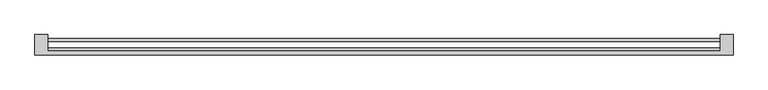
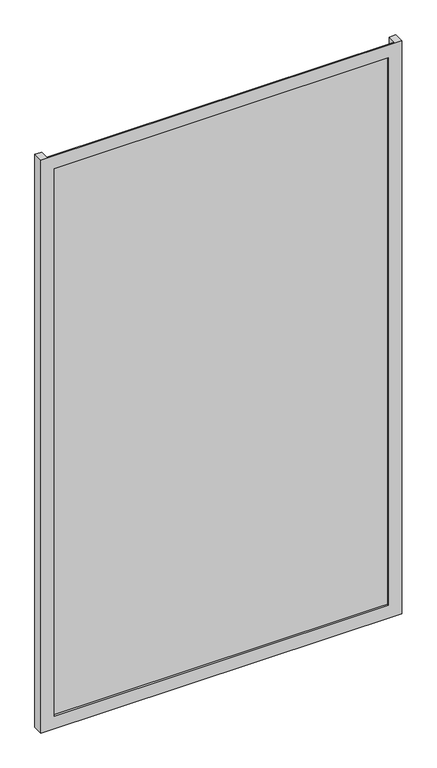
"""IFC4 building model written with IfcOpenShell, lengths in millimetres: plate geometry."""

from ifc_helpers import new_model, si_unit, origin, origin_with_axes, place, context, project, spatial, polyline, outline, extrude, faceted_brep, source, transform, mapped, element, save


def plate_ee3366e5(model_context):
    return source(origin(), model_context, "Body", "SolidModel", [
        faceted_brep([(675.0, -50.8, -50.0), (675.0, -89.8, -50.0), (-675.0, -89.8, -50.0), (-675.0, -50.8, -50.0), (-650.0, -50.8, -50.0), (-650.0, -82.8, -50.0), (650.0, -82.8, -50.0), (650.0, -50.8, -50.0), (625.0, -89.8, 0.0), (625.0, -82.8, 0.0), (-625.0, -82.8, 0.0), (-625.0, -89.8, 0.0), (675.0, -89.8, 2215.0), (-675.0, -89.8, 2215.0), (-625.0, -89.8, 2165.0), (625.0, -89.8, 2165.0), (-650.0, -82.8, 2215.0), (650.0, -82.8, 2215.0), (625.0, -82.8, 2165.0), (-625.0, -82.8, 2165.0), (675.0, -50.8, 2215.0), (650.0, -50.8, 2215.0), (-650.0, -50.8, 2215.0), (-675.0, -50.8, 2215.0)], [[[0, 1, 2, 3, 4, 5, 6, 7]], [[8, 9, 10, 11]], [[12, 13, 2, 1], [11, 14, 15, 8]], [[16, 17, 6, 5], [9, 18, 19, 10]], [[20, 21, 17, 16, 22, 23, 13, 12]], [[20, 0, 7, 21]], [[21, 7, 6, 17]], [[8, 15, 18, 9]], [[12, 1, 0, 20]], [[22, 4, 3, 23]], [[16, 5, 4, 22]], [[10, 19, 14, 11]], [[23, 3, 2, 13]], [[18, 15, 14, 19]]]),
        extrude(outline(polyline([(650.0, -76.8), (650.0, -82.8), (-650.0, -82.8), (-650.0, -76.8), (650.0, -76.8)])), origin_with_axes(), (0.0, 0.0, 1.0), 2165.0),
        extrude(outline(polyline([(650.0, -64.2), (-650.0, -64.2), (-650.0, -57.8), (650.0, -57.8), (650.0, -64.2)])), origin_with_axes(), (0.0, 0.0, 1.0), 2165.0),
    ])


if __name__ == "__main__":
    model = new_model("IFC4")
    model_context = context("Model", 3, world=origin())
    ifc_project = project(units=[si_unit("LENGTHUNIT", "METRE", prefix="MILLI")], contexts=[model_context])
    site = spatial("IfcSite", under=ifc_project)
    building = spatial("IfcBuilding", under=site)
    placement = place(None, origin())
    plate_shape = plate_ee3366e5(model_context)
    element("IfcPlate", 1, at=placement, inside=building, context=model_context, shape_type="MappedRepresentation", body=[
        mapped(plate_shape, transform((0.0, 0.0, 0.0), x_axis=(1.0, 0.0, 0.0), y_axis=(0.0, 1.0, 0.0), z_axis=(0.0, 0.0, 1.0))),
    ])
    save(model, "model.ifc")
